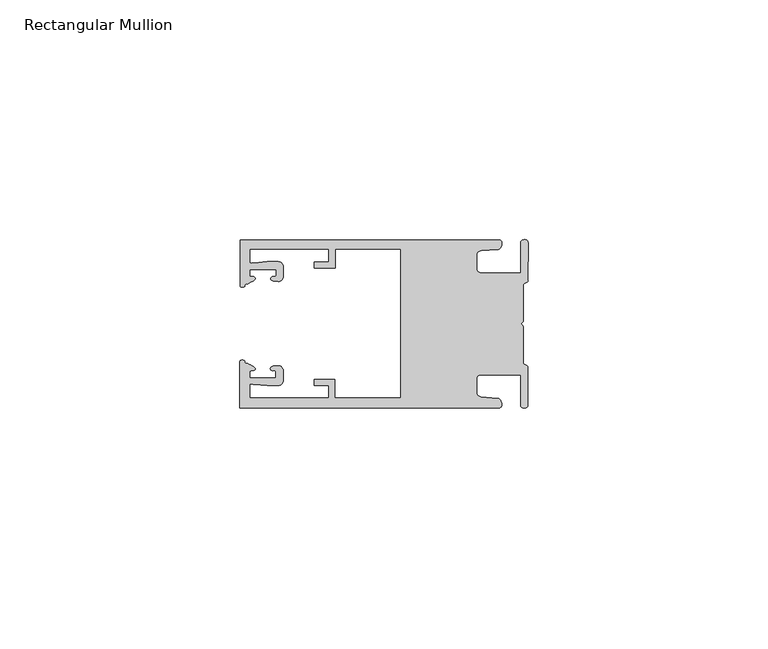
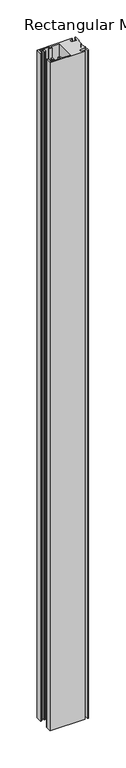
"""IFC4 building model written with IfcOpenShell, lengths in millimetres: member geometry, Rectangular Mullion."""

from ifc_helpers import new_model, si_unit, frame, origin, place, context, project, spatial, circle_curve, source, transform, mapped, element, save
from ifc_brep_helpers import plane_surface, cylinder_surface, extruded_surface, spline_curve, advanced_brep


def rectangular_mullion_8160e95d(model_context):
    return source(origin(), model_context, "Body", "AdvancedBrep", [
        advanced_brep(
        [(-60.0749377, 17.5111528, 0.0), (-60.0749377, 8.0140787, 0.0), (-59.3252567, 7.7187455, 0.0), (-58.4967974, 8.36785, 0.0), (-58.0726619, 10.1173923, 0.0), (-58.0713101, 11.3673916, 0.0), (-52.5713133, 11.3614437, 0.0), (-52.5726651, 10.1114444, 0.0), (-53.1427626, 8.8955539, 0.0), (-52.0740172, 8.8609044, 0.0), (-51.0729364, 9.8598224, 0.0), (-51.0706653, 11.9598211, 0.0), (-52.0700692, 12.9609024, 0.0), (-54.3905105, 12.9622843, 0.0), (-57.1599646, 12.7230061, 0.0), (-58.0696339, 12.9173907, 0.0), (-58.066768, 15.5673891, 0.0), (-41.5667584, 15.5673891, 0.0), (-41.5695894, 12.9495468, 0.0), (-44.5695877, 12.9527912, 0.0), (-44.5709936, 11.6527919, 0.0), (-40.2709961, 11.6481417, 0.0), (-40.2667576, 15.5673891, 0.0), (-26.6002952, 15.5673891, 0.0), (-26.6002952, -15.4518424, 0.0), (-40.3003032, -15.4518424, 0.0), (-40.2960856, -11.5518447, 0.0), (-44.5960831, -11.5471945, 0.0), (-44.597489, -12.8471938, 0.0), (-41.5974907, -12.8504381, 0.0), (-41.6003025, -15.4504366, 0.0), (-58.1002928, -15.4325927, 0.0), (-58.097427, -12.7825943, 0.0), (-57.1873395, -12.5901776, 0.0), (-54.4184094, -12.8354453, 0.0), (-52.0979705, -12.8390822, 0.0), (-51.0964037, -11.8401649, 0.0), (-51.0941327, -9.7401662, 0.0), (-52.0930507, -8.7390853, 0.0), (-53.1618685, -8.7714231, 0.0), (-52.5944022, -9.9885439, 0.0), (-52.595754, -11.2385431, 0.0), (-58.0957508, -11.2325952, 0.0), (-58.094399, -9.9825959, 0.0), (-58.5147494, -8.2321403, 0.0), (-59.3418028, -7.5812455, 0.0), (-60.0921208, -7.8749565, 0.0), (-60.0921208, -17.4888267, 0.0), (-6.1024861, -17.4888267, 0.0), (-6.5218639, -15.488372, 0.0), (-9.8784944, -15.2205466, 0.0), (-10.7989567, -14.2226333, 0.0), (-10.7961029, -11.5837474, 0.0), (-9.8734844, -10.5878272, 0.0), (-1.5950266, -10.5934991, 0.0), (-1.601948, -16.9936935, 0.0), (-0.1017194, -16.7830581, 0.0), (-0.0933208, -9.0170082, 0.0), (-1.0923837, -8.1499018, 0.0), (-1.0842165, -0.5977972, 0.0), (-1.0829111, 0.6093089, 0.0), (-1.0747439, 8.1614135, 0.0), (-0.0738079, 9.026357, 0.0), (-0.0654093, 16.7924069, 0.0), (-1.5651789, 17.0062866, 0.0), (-1.5651789, 10.6183257, 0.0), (-9.8505511, 10.6183257, 0.0), (-10.7710133, 11.6162391, 0.0), (-10.7681595, 14.255125, 0.0), (-9.845541, 15.2510452, 0.0), (-6.4883391, 15.5116099, 0.0), (-6.0646356, 17.5111528, 0.0), (-60.0749377, 17.5111528, -1095.93), (-6.0646356, 17.5111528, -1095.93), (-6.4883391, 15.5116099, -1095.93), (-9.845541, 15.2510452, -1095.93), (-10.7681595, 14.255125, -1095.93), (-10.7710133, 11.6162391, -1095.93), (-9.8505511, 10.6183257, -1095.93), (-1.5651789, 10.6183257, -1095.93), (-1.5651789, 17.0062866, -1095.93), (-0.0654093, 16.7924069, -1095.93), (-0.0738079, 9.026357, -1095.93), (-1.0747439, 8.1614135, -1095.93), (-1.0829111, 0.6093089, -1095.93), (-1.0842165, -0.5977972, -1095.93), (-1.0923837, -8.1499018, -1095.93), (-0.0933208, -9.0170082, -1095.93), (-0.1017194, -16.7830581, -1095.93), (-1.601948, -16.9936935, -1095.93), (-1.5950266, -10.5934991, -1095.93), (-9.8734844, -10.5878272, -1095.93), (-10.7961029, -11.5837474, -1095.93), (-10.7989567, -14.2226333, -1095.93), (-9.8784944, -15.2205466, -1095.93), (-6.5218639, -15.488372, -1095.93), (-6.1024861, -17.4888267, -1095.93), (-60.0921208, -17.4888267, -1095.93), (-60.0921208, -7.8749565, -1095.93), (-59.3418028, -7.5812455, -1095.93), (-58.5147494, -8.2321403, -1095.93), (-58.094399, -9.9825959, -1095.93), (-58.0957508, -11.2325952, -1095.93), (-52.595754, -11.2385431, -1095.93), (-52.5944022, -9.9885439, -1095.93), (-53.1618685, -8.7714231, -1095.93), (-52.0930507, -8.7390853, -1095.93), (-51.0941327, -9.7401662, -1095.93), (-51.0964037, -11.8401649, -1095.93), (-52.0979705, -12.8390823, -1095.93), (-54.4184094, -12.8354453, -1095.93), (-57.1873395, -12.5901776, -1095.93), (-58.097427, -12.7825943, -1095.93), (-58.1002928, -15.4325927, -1095.93), (-41.6003025, -15.4504366, -1095.93), (-41.5974907, -12.8504381, -1095.93), (-44.597489, -12.8471938, -1095.93), (-44.5960831, -11.5471945, -1095.93), (-40.2960856, -11.5518447, -1095.93), (-40.3003032, -15.4518424, -1095.93), (-26.6002952, -15.4518424, -1095.93), (-26.6002952, 15.5673891, -1095.93), (-40.2667576, 15.5673891, -1095.93), (-40.2709961, 11.6481417, -1095.93), (-44.5709936, 11.6527919, -1095.93), (-44.5695877, 12.9527912, -1095.93), (-41.5695894, 12.9495468, -1095.93), (-41.5667584, 15.5673891, -1095.93), (-58.066768, 15.5673891, -1095.93), (-58.0696339, 12.9173907, -1095.93), (-57.1599646, 12.7230061, -1095.93), (-54.3905105, 12.9622843, -1095.93), (-52.0700692, 12.9609023, -1095.93), (-51.0706653, 11.9598211, -1095.93), (-51.0729364, 9.8598224, -1095.93), (-52.0740172, 8.8609044, -1095.93), (-53.1427626, 8.8955539, -1095.93), (-52.5726651, 10.1114444, -1095.93), (-52.5713133, 11.3614437, -1095.93), (-58.0713101, 11.3673916, -1095.93), (-58.0726619, 10.1173923, -1095.93), (-58.4967974, 8.36785, -1095.93), (-59.3252567, 7.7187455, -1095.93), (-60.0749377, 8.0140787, -1095.93)],
        [
            (0, 1),
            (1, 2, spline_curve(3, [(-60.0749377, 8.0140787, 0.0), (-60.075233123, 7.740904774, 0.0), (-59.825339491, 7.642460332, 0.0), (-59.3252567, 7.7187455, 0.0)], [4, 4], [0.0, 0.0019169337574178654])),
            (2, 3, spline_curve(3, [(-59.3252567, 7.7187455, 0.0), (-59.094460914, 7.75918372, 0.0), (-59.054835463, 7.902257199, 0.0), (-59.05559987, 8.233305614, 0.0), (-59.138729113, 8.4134359, 0.0), (-58.4967974, 8.36785, 0.0)], [4, 2, 4], [0.0, 0.0010199524164107188, 0.0024874514725970356])),
            (3, 4, spline_curve(3, [(-58.4967974, 8.36785, 0.0), (-57.022393378, 9.053435667, 0.0), (-56.827266887, 9.364828726, 0.0), (-56.982213078, 9.742623404, 0.0), (-57.177375211, 9.855581791, 0.0), (-57.697928101, 9.887955071, 0.0), (-57.997449153, 9.835475348, 0.0), (-58.0726619, 10.1173923, 0.0)], [4, 2, 2, 4], [0.0, 0.003269869179570428, 0.005490050486237203, 0.0073545767114364426])),
            (4, 5),
            (5, 6),
            (6, 7),
            (7, 8, spline_curve(3, [(-52.5726651, 10.1114444, 0.0), (-52.667195519, 9.760172042, 0.0), (-52.937094388, 9.861877724, 0.0), (-53.356237032, 9.895631753, 0.0), (-53.491940439, 9.811038713, 0.0), (-53.761900775, 9.511438033, 0.0), (-53.892893546, 9.278787104, 0.0), (-53.1427626, 8.8955539, 0.0)], [4, 2, 2, 4], [0.0, 0.001593963049934732, 0.0033360256320283306, 0.005339140673503943])),
            (8, 9),
            (9, 10, circle_curve(frame((-52.0729358, 9.8609038, 0.0), z_axis=(0.0, 0.0, 1.0), x_axis=(-0.0010814451158600304, -0.9999994152380598, 0.0)), 1.0)),
            (10, 11),
            (11, 12, circle_curve(frame((-52.0706647, 11.9609026, 0.0), z_axis=(0.0, 0.0, 1.0), x_axis=(-0.0010814451158600304, -0.9999994152380598, 0.0)), 1.0)),
            (12, 13),
            (13, 14),
            (14, 15, spline_curve(3, [(-57.1599646, 12.7230061, 0.0), (-57.631533854, 12.682262968, 0.0), (-58.018602985, 12.477800124, 0.0), (-58.0696339, 12.9173907, 0.0)], [4, 4], [0.0, 0.0014803385355886016])),
            (15, 16),
            (16, 17),
            (17, 18),
            (18, 19),
            (19, 20),
            (20, 21),
            (21, 22),
            (22, 23),
            (23, 24),
            (24, 25),
            (25, 26),
            (26, 27),
            (27, 28),
            (28, 29),
            (29, 30),
            (30, 31),
            (31, 32),
            (32, 33, spline_curve(3, [(-58.097427, -12.7825943, 0.0), (-58.045445419, -12.343115126, 0.0), (-57.658819528, -12.548414611, 0.0), (-57.1873395, -12.5901776, 0.0)], [4, 4], [0.0, 0.0014803385355886016])),
            (33, 34),
            (34, 35),
            (35, 36, circle_curve(frame((-52.0964031, -11.8390835, 0.0), z_axis=(0.0, 0.0, 1.0), x_axis=(0.0010814451158600304, 0.9999994152380598, 0.0)), 1.0)),
            (36, 37),
            (37, 38, circle_curve(frame((-52.0941321, -9.7390847, 0.0), z_axis=(0.0, 0.0, 1.0), x_axis=(0.0010814451158600304, 0.9999994152380598, 0.0)), 1.0)),
            (38, 39),
            (39, 40, spline_curve(3, [(-53.1618685, -8.7714231, 0.0), (-53.912826582, -9.153032958, 0.0), (-53.782337352, -9.385966711, 0.0), (-53.51302565, -9.686150585, 0.0), (-53.377505444, -9.771037009, 0.0), (-52.958290774, -9.738189618, 0.0), (-52.688172635, -9.637067904, 0.0), (-52.5944022, -9.9885439, 0.0)], [4, 2, 2, 4], [0.0, 0.002003115041475612, 0.0037451776235692107, 0.005339140673503943])),
            (40, 41),
            (41, 42),
            (42, 43),
            (43, 44, spline_curve(3, [(-58.094399, -9.9825959, 0.0), (-58.018576674, -9.700842284, 0.0), (-57.719169706, -9.753969703, 0.0), (-57.198548014, -9.722722397, 0.0), (-57.003142178, -9.61018632, 0.0), (-56.847379222, -9.232727657, 0.0), (-57.041831673, -8.920913336, 0.0), (-58.5147494, -8.2321403, 0.0)], [4, 2, 2, 4], [0.0, 0.0018645262251992395, 0.004084707531866015, 0.0073545767114364426])),
            (44, 45, spline_curve(3, [(-58.5147494, -8.2321403, 0.0), (-59.156778208, -8.276337666, 0.0), (-59.073259494, -8.096387681, 0.0), (-59.071779067, -7.765341694, 0.0), (-59.111095017, -7.622182811, 0.0), (-59.3418028, -7.5812455, 0.0)], [4, 2, 4], [0.0, 0.0014674990561863168, 0.0024874514725970356])),
            (45, 46, spline_curve(3, [(-59.3418028, -7.5812455, 0.0), (-59.841719425, -7.503878887, 0.0), (-60.091825377, -7.601782574, 0.0), (-60.0921208, -7.8749565, 0.0)], [4, 4], [0.0, 0.0019169337574178654])),
            (46, 47),
            (47, 48),
            (48, 49, spline_curve(3, [(-6.1024861, -17.4888267, 0.0), (-5.074532184, -17.418062188, 0.0), (-5.631140689, -15.411414367, 0.0), (-6.5218639, -15.488372, 0.0)], [4, 4], [0.0, 0.0043819361547461745])),
            (49, 50),
            (50, 51, spline_curve(3, [(-9.8784944, -15.2205466, 0.0), (-10.440691543, -15.150698463, 0.0), (-10.74751234, -14.818060727, 0.0), (-10.7989567, -14.2226333, 0.0)], [4, 4], [0.0, 0.0028645797420738927])),
            (51, 52),
            (52, 53, spline_curve(3, [(-10.7961029, -11.5837474, 0.0), (-10.743370817, -10.988432634, 0.0), (-10.435831301, -10.656459204, 0.0), (-9.8734844, -10.5878272, 0.0)], [4, 4], [0.0, 0.0028645797420738927])),
            (53, 54),
            (54, 55),
            (55, 56, spline_curve(3, [(-1.601948, -16.9936935, 0.0), (-1.655676874, -17.600261454, 0.0), (-0.043737403, -17.912795581, 0.0), (-0.1017194, -16.7830581, 0.0)], [4, 4], [0.0, 0.0036987374396357936])),
            (56, 57),
            (57, 58, spline_curve(3, [(-0.0933208, -9.0170082, 0.0), (-0.018818183, -8.695886697, 0.0), (-1.193434327, -8.459763043, 0.0), (-1.0923837, -8.1499018, 0.0)], [4, 4], [0.0, 0.002027216749630121])),
            (58, 59),
            (59, 60, spline_curve(3, [(-1.0842165, -0.5977972, 0.0), (-1.013223198, -0.445980437, 0.0), (-1.487945123, -0.206736825, 0.0), (-1.487409651, 0.231097965, 0.0), (-0.999110985, 0.429090391, 0.0), (-1.0829111, 0.6093089, 0.0)], [4, 2, 4], [0.0, 0.00249866671847065, 0.005031402919736269])),
            (60, 61),
            (61, 62, spline_curve(3, [(-1.0747439, 8.1614135, 0.0), (-1.175124095, 8.47149258, 0.0), (-7e-09, 8.705075107, 0.0), (-0.0738079, 9.026357, 0.0)], [4, 4], [0.0, 0.002027216749630121])),
            (62, 63),
            (63, 64, spline_curve(3, [(-0.0654093, 16.7924069, 0.0), (-0.004983942, 17.92201633, 0.0), (-1.617595709, 17.612969344, 0.0), (-1.5651789, 17.0062866, 0.0)], [4, 4], [0.0, 0.0036987374396357936])),
            (64, 65),
            (65, 66),
            (66, 67, spline_curve(3, [(-9.8505511, 10.6183257, 0.0), (-10.412748243, 10.688173837, 0.0), (-10.71956894, 11.020811673, 0.0), (-10.7710133, 11.6162391, 0.0)], [4, 4], [0.0, 0.0028645797420738927])),
            (67, 68),
            (68, 69, spline_curve(3, [(-10.7681595, 14.255125, 0.0), (-10.715427417, 14.850439766, 0.0), (-10.407887901, 15.182413196, 0.0), (-9.845541, 15.2510452, 0.0)], [4, 4], [0.0, 0.0028645797420738927])),
            (69, 70),
            (70, 71, spline_curve(3, [(-6.4883391, 15.5116099, 0.0), (-5.597784423, 15.432725911, 0.0), (-5.036837144, 17.438165103, 0.0), (-6.0646356, 17.5111528, 0.0)], [4, 4], [0.0, 0.0043819361547461745])),
            (71, 0),
            (72, 73),
            (73, 74, spline_curve(3, [(-6.0646356, 17.5111528, -1095.93), (-5.036837144, 17.438165103, -1095.93), (-5.597784423, 15.432725911, -1095.93), (-6.4883391, 15.5116099, -1095.93)], [4, 4], [0.0, 0.0043819361547461745])),
            (74, 75),
            (75, 76, spline_curve(3, [(-9.845541, 15.2510452, -1095.93), (-10.407887901, 15.182413196, -1095.93), (-10.715427417, 14.850439766, -1095.93), (-10.7681595, 14.255125, -1095.93)], [4, 4], [0.0, 0.0028645797420738927])),
            (76, 77),
            (77, 78, spline_curve(3, [(-10.7710133, 11.6162391, -1095.93), (-10.71956894, 11.020811673, -1095.93), (-10.412748243, 10.688173837, -1095.93), (-9.8505511, 10.6183257, -1095.93)], [4, 4], [0.0, 0.0028645797420738927])),
            (78, 79),
            (79, 80),
            (80, 81, spline_curve(3, [(-1.5651789, 17.0062866, -1095.93), (-1.617595709, 17.612969344, -1095.93), (-0.004983942, 17.92201633, -1095.93), (-0.0654093, 16.7924069, -1095.93)], [4, 4], [0.0, 0.0036987374396357936])),
            (81, 82),
            (82, 83, spline_curve(3, [(-0.0738079, 9.026357, -1095.93), (-7e-09, 8.705075107, -1095.93), (-1.175124095, 8.47149258, -1095.93), (-1.0747439, 8.1614135, -1095.93)], [4, 4], [0.0, 0.002027216749630121])),
            (83, 84),
            (84, 85, spline_curve(3, [(-1.0829111, 0.6093089, -1095.93), (-0.999110985, 0.429090391, -1095.93), (-1.487409651, 0.231097965, -1095.93), (-1.487945123, -0.206736825, -1095.93), (-1.013223198, -0.445980437, -1095.93), (-1.0842165, -0.5977972, -1095.93)], [4, 2, 4], [0.0, 0.002532736201265619, 0.005031402919736269])),
            (85, 86),
            (86, 87, spline_curve(3, [(-1.0923837, -8.1499018, -1095.93), (-1.193434327, -8.459763043, -1095.93), (-0.018818183, -8.695886697, -1095.93), (-0.0933208, -9.0170082, -1095.93)], [4, 4], [0.0, 0.002027216749630121])),
            (87, 88),
            (88, 89, spline_curve(3, [(-0.1017194, -16.7830581, -1095.93), (-0.043737403, -17.912795581, -1095.93), (-1.655676874, -17.600261454, -1095.93), (-1.601948, -16.9936935, -1095.93)], [4, 4], [0.0, 0.0036987374396357936])),
            (89, 90),
            (90, 91),
            (91, 92, spline_curve(3, [(-9.8734844, -10.5878272, -1095.93), (-10.435831301, -10.656459204, -1095.93), (-10.743370817, -10.988432634, -1095.93), (-10.7961029, -11.5837474, -1095.93)], [4, 4], [0.0, 0.0028645797420738927])),
            (92, 93),
            (93, 94, spline_curve(3, [(-10.7989567, -14.2226333, -1095.93), (-10.74751234, -14.818060727, -1095.93), (-10.440691543, -15.150698463, -1095.93), (-9.8784944, -15.2205466, -1095.93)], [4, 4], [0.0, 0.0028645797420738927])),
            (94, 95),
            (95, 96, spline_curve(3, [(-6.5218639, -15.488372, -1095.93), (-5.631140689, -15.411414367, -1095.93), (-5.074532184, -17.418062188, -1095.93), (-6.1024861, -17.4888267, -1095.93)], [4, 4], [0.0, 0.0043819361547461745])),
            (96, 97),
            (97, 98),
            (98, 99, spline_curve(3, [(-60.0921208, -7.8749565, -1095.93), (-60.091825377, -7.601782574, -1095.93), (-59.841719425, -7.503878887, -1095.93), (-59.3418028, -7.5812455, -1095.93)], [4, 4], [0.0, 0.0019169337574178654])),
            (99, 100, spline_curve(3, [(-59.3418028, -7.5812455, -1095.93), (-59.111095017, -7.622182811, -1095.93), (-59.071779067, -7.765341694, -1095.93), (-59.073259494, -8.096387681, -1095.93), (-59.156778208, -8.276337666, -1095.93), (-58.5147494, -8.2321403, -1095.93)], [4, 2, 4], [0.0, 0.0010199524164107188, 0.0024874514725970356])),
            (100, 101, spline_curve(3, [(-58.5147494, -8.2321403, -1095.93), (-57.041831673, -8.920913336, -1095.93), (-56.847379222, -9.232727657, -1095.93), (-57.003142178, -9.61018632, -1095.93), (-57.198548014, -9.722722397, -1095.93), (-57.719169706, -9.753969703, -1095.93), (-58.018576674, -9.700842284, -1095.93), (-58.094399, -9.9825959, -1095.93)], [4, 2, 2, 4], [0.0, 0.003269869179570428, 0.005490050486237203, 0.0073545767114364426])),
            (101, 102),
            (102, 103),
            (103, 104),
            (104, 105, spline_curve(3, [(-52.5944022, -9.9885439, -1095.93), (-52.688172635, -9.637067904, -1095.93), (-52.958290774, -9.738189618, -1095.93), (-53.377505444, -9.771037009, -1095.93), (-53.51302565, -9.686150585, -1095.93), (-53.782337352, -9.385966711, -1095.93), (-53.912826582, -9.153032958, -1095.93), (-53.1618685, -8.7714231, -1095.93)], [4, 2, 2, 4], [0.0, 0.001593963049934732, 0.0033360256320283306, 0.005339140673503943])),
            (105, 106),
            (106, 107, circle_curve(frame((-52.0941321, -9.7390847, -1095.93), z_axis=(0.0, 0.0, -1.0), x_axis=(0.0010814451158600304, 0.9999994152380598, 0.0)), 1.0)),
            (107, 108),
            (108, 109, circle_curve(frame((-52.0964031, -11.8390835, -1095.93), z_axis=(0.0, 0.0, -1.0), x_axis=(0.0010814451158600304, 0.9999994152380598, 0.0)), 1.0)),
            (109, 110),
            (110, 111),
            (111, 112, spline_curve(3, [(-57.1873395, -12.5901776, -1095.93), (-57.658819528, -12.548414611, -1095.93), (-58.045445419, -12.343115126, -1095.93), (-58.097427, -12.7825943, -1095.93)], [4, 4], [0.0, 0.0014803385355886016])),
            (112, 113),
            (113, 114),
            (114, 115),
            (115, 116),
            (116, 117),
            (117, 118),
            (118, 119),
            (119, 120),
            (120, 121),
            (121, 122),
            (122, 123),
            (123, 124),
            (124, 125),
            (125, 126),
            (126, 127),
            (127, 128),
            (128, 129),
            (129, 130, spline_curve(3, [(-58.0696339, 12.9173907, -1095.93), (-58.018602985, 12.477800124, -1095.93), (-57.631533854, 12.682262968, -1095.93), (-57.1599646, 12.7230061, -1095.93)], [4, 4], [0.0, 0.0014803385355886016])),
            (130, 131),
            (131, 132),
            (132, 133, circle_curve(frame((-52.0706647, 11.9609026, -1095.93), z_axis=(0.0, 0.0, -1.0), x_axis=(-0.0010814451158600304, -0.9999994152380598, 0.0)), 1.0)),
            (133, 134),
            (134, 135, circle_curve(frame((-52.0729358, 9.8609038, -1095.93), z_axis=(0.0, 0.0, -1.0), x_axis=(-0.0010814451158600304, -0.9999994152380598, 0.0)), 1.0)),
            (135, 136),
            (136, 137, spline_curve(3, [(-53.1427626, 8.8955539, -1095.93), (-53.892893546, 9.278787104, -1095.93), (-53.761900775, 9.511438033, -1095.93), (-53.491940439, 9.811038713, -1095.93), (-53.356237032, 9.895631753, -1095.93), (-52.937094388, 9.861877724, -1095.93), (-52.667195519, 9.760172042, -1095.93), (-52.5726651, 10.1114444, -1095.93)], [4, 2, 2, 4], [0.0, 0.002003115041475612, 0.0037451776235692107, 0.005339140673503943])),
            (137, 138),
            (138, 139),
            (139, 140),
            (140, 141, spline_curve(3, [(-58.0726619, 10.1173923, -1095.93), (-57.997449153, 9.835475348, -1095.93), (-57.697928101, 9.887955071, -1095.93), (-57.177375211, 9.855581791, -1095.93), (-56.982213078, 9.742623404, -1095.93), (-56.827266887, 9.364828726, -1095.93), (-57.022393378, 9.053435667, -1095.93), (-58.4967974, 8.36785, -1095.93)], [4, 2, 2, 4], [0.0, 0.0018645262251992395, 0.004084707531866015, 0.0073545767114364426])),
            (141, 142, spline_curve(3, [(-58.4967974, 8.36785, -1095.93), (-59.138729113, 8.4134359, -1095.93), (-59.05559987, 8.233305614, -1095.93), (-59.054835463, 7.902257199, -1095.93), (-59.094460914, 7.75918372, -1095.93), (-59.3252567, 7.7187455, -1095.93)], [4, 2, 4], [0.0, 0.0014674990561863168, 0.0024874514725970356])),
            (142, 143, spline_curve(3, [(-59.3252567, 7.7187455, -1095.93), (-59.825339491, 7.642460332, -1095.93), (-60.075233123, 7.740904774, -1095.93), (-60.0749377, 8.0140787, -1095.93)], [4, 4], [0.0, 0.0019169337574178654])),
            (143, 72),
            (0, 72),
            (143, 1),
            (142, 2),
            (141, 3),
            (140, 4),
            (139, 5),
            (138, 6),
            (137, 7),
            (136, 8),
            (135, 9),
            (134, 10),
            (133, 11),
            (132, 12),
            (131, 13),
            (130, 14),
            (129, 15),
            (128, 16),
            (127, 17),
            (126, 18),
            (125, 19),
            (124, 20),
            (123, 21),
            (122, 22),
            (121, 23),
            (120, 24),
            (119, 25),
            (118, 26),
            (117, 27),
            (116, 28),
            (115, 29),
            (114, 30),
            (113, 31),
            (112, 32),
            (111, 33),
            (110, 34),
            (109, 35),
            (108, 36),
            (107, 37),
            (106, 38),
            (105, 39),
            (104, 40),
            (103, 41),
            (102, 42),
            (101, 43),
            (100, 44),
            (99, 45),
            (98, 46),
            (97, 47),
            (96, 48),
            (95, 49),
            (94, 50),
            (93, 51),
            (92, 52),
            (91, 53),
            (90, 54),
            (89, 55),
            (88, 56),
            (87, 57),
            (86, 58),
            (85, 59),
            (84, 60),
            (83, 61),
            (82, 62),
            (81, 63),
            (80, 64),
            (79, 65),
            (78, 66),
            (77, 67),
            (76, 68),
            (75, 69),
            (74, 70),
            (73, 71),
        ],
        [
            plane_surface(frame((0.0, -62.5853181, 0.0), z_axis=(0.0, 0.0, 1.0), x_axis=(-1.0, 0.0, 0.0))),
            plane_surface(frame((0.0, -62.5853181, -1095.93), z_axis=(0.0, 0.0, -1.0), x_axis=(-1.0, 0.0, 0.0))),
            plane_surface(frame((-60.0749377, 17.5111528, 0.0), z_axis=(-1.0, 0.0, 0.0), x_axis=(0.0, 0.0, -1.0))),
            extruded_surface(spline_curve(3, [(-60.0749377, 8.0140787, -1095.93), (-60.075233123, 7.740904774, -1095.93), (-59.825339491, 7.642460332, -1095.93), (-59.3252567, 7.7187455, -1095.93)], [4, 4], [0.0, 0.0019169337574178654]), (0.0, 0.0, 1095.93), 1095.93),
            extruded_surface(spline_curve(3, [(-59.3252567, 7.7187455, -1095.93), (-59.094460914, 7.75918372, -1095.93), (-59.054835463, 7.902257199, -1095.93), (-59.05559987, 8.233305614, -1095.93), (-59.138729113, 8.4134359, -1095.93), (-58.4967974, 8.36785, -1095.93)], [4, 2, 4], [0.0, 0.0010199524164107188, 0.0024874514725970356]), (0.0, 0.0, 1095.93), 1095.93),
            extruded_surface(spline_curve(3, [(-58.4967974, 8.36785, -1095.93), (-57.022393378, 9.053435667, -1095.93), (-56.827266887, 9.364828726, -1095.93), (-56.982213078, 9.742623404, -1095.93), (-57.177375211, 9.855581791, -1095.93), (-57.697928101, 9.887955071, -1095.93), (-57.997449153, 9.835475348, -1095.93), (-58.0726619, 10.1173923, -1095.93)], [4, 2, 2, 4], [0.0, 0.003269869179570428, 0.005490050486237203, 0.0073545767114364426]), (0.0, 0.0, 1095.93), 1095.93),
            plane_surface(frame((-58.0726619, 10.1173923, 0.0), z_axis=(0.9999994152380598, -0.0010814451158634145, 0.0), x_axis=(0.0, 0.0, -1.0))),
            plane_surface(frame((-58.0713101, 11.3673916, 0.0), z_axis=(-0.0010814451158616418, -0.9999994152380598, 0.0), x_axis=(0.0, 0.0, -1.0))),
            plane_surface(frame((-52.5713133, 11.3614437, 0.0), z_axis=(-0.9999994152380598, 0.0010814451158643293, 0.0), x_axis=(0.0, 0.0, -1.0))),
            extruded_surface(spline_curve(3, [(-52.5726651, 10.1114444, -1095.93), (-52.667195519, 9.760172042, -1095.93), (-52.937094388, 9.861877724, -1095.93), (-53.356237032, 9.895631753, -1095.93), (-53.491940439, 9.811038713, -1095.93), (-53.761900775, 9.511438033, -1095.93), (-53.892893546, 9.278787104, -1095.93), (-53.1427626, 8.8955539, -1095.93)], [4, 2, 2, 4], [0.0, 0.001593963049934732, 0.0033360256320283306, 0.005339140673503943]), (0.0, 0.0, 1095.93), 1095.93),
            plane_surface(frame((-53.1427626, 8.8955539, 0.0), z_axis=(-0.032403661401520414, -0.9994748634797054, 0.0), x_axis=(0.0, 0.0, -1.0))),
            cylinder_surface(frame((-52.0729358, 9.8609038, 0.0), z_axis=(0.0, 0.0, 1.0000000000000002), x_axis=(-0.0010814451158600304, -0.9999994152380598, 0.0)), 1.0),
            plane_surface(frame((-51.0729364, 9.8598224, 0.0), z_axis=(0.9999994152380598, -0.001081445115864059, 0.0), x_axis=(0.0, 0.0, -1.0))),
            cylinder_surface(frame((-52.0706647, 11.9609026, 0.0), z_axis=(0.0, 0.0, 1.0000000000000002), x_axis=(-0.0010814451158600304, -0.9999994152380598, 0.0)), 1.0),
            plane_surface(frame((-52.0700692, 12.9609023, 0.0), z_axis=(0.0005955716436318007, 0.999999822647193, 0.0), x_axis=(0.0, 0.0, -1.0))),
            plane_surface(frame((-54.3905105, 12.9622843, 0.0), z_axis=(-0.08607836189159865, 0.9962883697073147, 0.0), x_axis=(0.0, 0.0, -1.0))),
            extruded_surface(spline_curve(3, [(-57.1599646, 12.7230061, -1095.93), (-57.631533854, 12.682262968, -1095.93), (-58.018602985, 12.477800124, -1095.93), (-58.0696339, 12.9173907, -1095.93)], [4, 4], [0.0, 0.0014803385355886016]), (0.0, 0.0, 1095.93), 1095.93),
            plane_surface(frame((-58.0696339, 12.9173907, 0.0), z_axis=(0.9999994152380598, -0.0010814451158629996, 0.0), x_axis=(0.0, 0.0, -1.0))),
            plane_surface(frame((-58.066768, 15.5673891, 0.0), z_axis=(0.0, -1.0, 0.0), x_axis=(0.0, 0.0, -1.0))),
            plane_surface(frame((-41.5667584, 15.5673891, 0.0), z_axis=(-0.9999994152380598, 0.0010814451158636304, 0.0), x_axis=(0.0, 0.0, -1.0))),
            plane_surface(frame((-41.5695894, 12.9495468, 0.0), z_axis=(0.0010814451158615687, 0.9999994152380598, 0.0), x_axis=(0.0, 0.0, -1.0))),
            plane_surface(frame((-44.5695877, 12.9527912, 0.0), z_axis=(-0.9999994152380598, 0.0010814451158626742, 0.0), x_axis=(0.0, 0.0, -1.0))),
            plane_surface(frame((-44.5709936, 11.6527919, 0.0), z_axis=(-0.001081445115861604, -0.9999994152380598, 0.0), x_axis=(0.0, 0.0, -1.0))),
            plane_surface(frame((-40.2709961, 11.6481417, 0.0), z_axis=(0.9999994152380598, -0.001081445115863507, 0.0), x_axis=(0.0, 0.0, -1.0))),
            plane_surface(frame((-40.2667576, 15.5673891, 0.0), z_axis=(0.0, -1.0, 0.0), x_axis=(0.0, 0.0, -1.0))),
            plane_surface(frame((-26.6002952, 15.5673891, 0.0), z_axis=(-1.0, 0.0, 0.0), x_axis=(0.0, 0.0, -1.0))),
            plane_surface(frame((-26.6002952, -15.4518424, 0.0), z_axis=(0.0, 1.0, 0.0), x_axis=(0.0, 0.0, -1.0))),
            plane_surface(frame((-40.3003032, -15.4518424, 0.0), z_axis=(0.9999994152380598, -0.0010814451158565538, 0.0), x_axis=(0.0, 0.0, -1.0))),
            plane_surface(frame((-40.2960856, -11.5518447, 0.0), z_axis=(0.0010814451158584568, 0.9999994152380598, 0.0), x_axis=(0.0, 0.0, -1.0))),
            plane_surface(frame((-44.5960831, -11.5471945, 0.0), z_axis=(-0.9999994152380598, 0.0010814451158573867, 0.0), x_axis=(0.0, 0.0, -1.0))),
            plane_surface(frame((-44.597489, -12.8471938, 0.0), z_axis=(-0.0010814451158584922, -0.9999994152380598, 0.0), x_axis=(0.0, 0.0, -1.0))),
            plane_surface(frame((-41.5974907, -12.8504381, 0.0), z_axis=(-0.9999994152380598, 0.0010814451158564305, 0.0), x_axis=(0.0, 0.0, -1.0))),
            plane_surface(frame((-41.6003025, -15.4504366, 0.0), z_axis=(0.0010814451158583872, 0.9999994152380598, 0.0), x_axis=(0.0, 0.0, -1.0))),
            plane_surface(frame((-58.1002928, -15.4325927, 0.0), z_axis=(0.9999994152380598, -0.0010814451158570612, 0.0), x_axis=(0.0, 0.0, -1.0))),
            extruded_surface(spline_curve(3, [(-58.097427, -12.7825943, -1095.93), (-58.045445419, -12.343115126, -1095.93), (-57.658819528, -12.548414611, -1095.93), (-57.1873395, -12.5901776, -1095.93)], [4, 4], [0.0, 0.0014803385355886016]), (0.0, 0.0, 1095.93), 1095.93),
            plane_surface(frame((-57.1873395, -12.5901776, 0.0), z_axis=(-0.0882330216729926, -0.9960998614026876, 0.0), x_axis=(0.0, 0.0, -1.0))),
            plane_surface(frame((-54.4184094, -12.8354453, 0.0), z_axis=(-0.0015673183327880543, -0.9999987717558677, 0.0), x_axis=(0.0, 0.0, -1.0))),
            cylinder_surface(frame((-52.0964031, -11.8390835, 0.0), z_axis=(0.0, 0.0, 1.0000000000000002), x_axis=(0.0010814451158600304, 0.9999994152380598, 0.0)), 1.0),
            plane_surface(frame((-51.0964037, -11.8401649, 0.0), z_axis=(0.9999994152380598, -0.001081445115856002, 0.0), x_axis=(0.0, 0.0, -1.0))),
            cylinder_surface(frame((-52.0941321, -9.7390847, 0.0), z_axis=(0.0, 0.0, 1.0000000000000002), x_axis=(0.0010814451158600304, 0.9999994152380598, 0.0)), 1.0),
            plane_surface(frame((-52.0930507, -8.7390853, 0.0), z_axis=(-0.030241832452872642, 0.9995426111826812, 0.0), x_axis=(0.0, 0.0, -1.0))),
            extruded_surface(spline_curve(3, [(-53.1618685, -8.7714231, -1095.93), (-53.912826582, -9.153032958, -1095.93), (-53.782337352, -9.385966711, -1095.93), (-53.51302565, -9.686150585, -1095.93), (-53.377505444, -9.771037009, -1095.93), (-52.958290774, -9.738189618, -1095.93), (-52.688172635, -9.637067904, -1095.93), (-52.5944022, -9.9885439, -1095.93)], [4, 2, 2, 4], [0.0, 0.002003115041475612, 0.0037451776235692107, 0.005339140673503943]), (0.0, 0.0, 1095.93), 1095.93),
            plane_surface(frame((-52.5944022, -9.9885439, 0.0), z_axis=(-0.9999994152380598, 0.0010814451158557316, 0.0), x_axis=(0.0, 0.0, -1.0))),
            plane_surface(frame((-52.595754, -11.2385431, 0.0), z_axis=(0.001081445115858419, 0.9999994152380598, 0.0), x_axis=(0.0, 0.0, -1.0))),
            plane_surface(frame((-58.0957508, -11.2325952, 0.0), z_axis=(0.9999994152380598, -0.0010814451158566464, 0.0), x_axis=(0.0, 0.0, -1.0))),
            extruded_surface(spline_curve(3, [(-58.094399, -9.9825959, -1095.93), (-58.018576674, -9.700842284, -1095.93), (-57.719169706, -9.753969703, -1095.93), (-57.198548014, -9.722722397, -1095.93), (-57.003142178, -9.61018632, -1095.93), (-56.847379222, -9.232727657, -1095.93), (-57.041831673, -8.920913336, -1095.93), (-58.5147494, -8.2321403, -1095.93)], [4, 2, 2, 4], [0.0, 0.0018645262251992395, 0.004084707531866015, 0.0073545767114364426]), (0.0, 0.0, 1095.93), 1095.93),
            extruded_surface(spline_curve(3, [(-58.5147494, -8.2321403, -1095.93), (-59.156778208, -8.276337666, -1095.93), (-59.073259494, -8.096387681, -1095.93), (-59.071779067, -7.765341694, -1095.93), (-59.111095017, -7.622182811, -1095.93), (-59.3418028, -7.5812455, -1095.93)], [4, 2, 4], [0.0, 0.0014674990561863168, 0.0024874514725970356]), (0.0, 0.0, 1095.93), 1095.93),
            extruded_surface(spline_curve(3, [(-59.3418028, -7.5812455, -1095.93), (-59.841719425, -7.503878887, -1095.93), (-60.091825377, -7.601782574, -1095.93), (-60.0921208, -7.8749565, -1095.93)], [4, 4], [0.0, 0.0019169337574178654]), (0.0, 0.0, 1095.93), 1095.93),
            plane_surface(frame((-60.0921208, -7.8749565, 0.0), z_axis=(-1.0, 0.0, 0.0), x_axis=(0.0, 0.0, -1.0))),
            plane_surface(frame((-60.0921208, -17.4888267, 0.0), z_axis=(0.0, -1.0, 0.0), x_axis=(0.0, 0.0, -1.0))),
            extruded_surface(spline_curve(3, [(-6.1024861, -17.4888267, -1095.93), (-5.074532184, -17.418062188, -1095.93), (-5.631140689, -15.411414367, -1095.93), (-6.5218639, -15.488372, -1095.93)], [4, 4], [0.0, 0.0043819361547461745]), (0.0, 0.0, 1095.93), 1095.93),
            plane_surface(frame((-6.5218639, -15.488372, 0.0), z_axis=(0.07953716124904908, 0.9968319015663789, 0.0), x_axis=(0.0, 0.0, -1.0))),
            extruded_surface(spline_curve(3, [(-9.8784944, -15.2205466, -1095.93), (-10.440691543, -15.150698463, -1095.93), (-10.74751234, -14.818060727, -1095.93), (-10.7989567, -14.2226333, -1095.93)], [4, 4], [0.0, 0.0028645797420738927]), (0.0, 0.0, 1095.93), 1095.93),
            plane_surface(frame((-10.7989567, -14.2226333, 0.0), z_axis=(0.9999994152380598, -0.0010814451158568247, 0.0), x_axis=(0.0, 0.0, -1.0))),
            extruded_surface(spline_curve(3, [(-10.7961029, -11.5837474, -1095.93), (-10.743370817, -10.988432634, -1095.93), (-10.435831301, -10.656459204, -1095.93), (-9.8734844, -10.5878272, -1095.93)], [4, 4], [0.0, 0.0028645797420738927]), (0.0, 0.0, 1095.93), 1095.93),
            plane_surface(frame((-9.8734844, -10.5878272, 0.0), z_axis=(-0.0006851371995361226, -0.9999997652934814, 0.0), x_axis=(0.0, 0.0, -1.0))),
            plane_surface(frame((-1.5950266, -10.5934991, 0.0), z_axis=(-0.9999994152380598, 0.0010814451158568644, 0.0), x_axis=(0.0, 0.0, -1.0))),
            extruded_surface(spline_curve(3, [(-1.601948, -16.9936935, -1095.93), (-1.655676874, -17.600261454, -1095.93), (-0.043737403, -17.912795581, -1095.93), (-0.1017194, -16.7830581, -1095.93)], [4, 4], [0.0, 0.0036987374396357936]), (0.0, 0.0, 1095.93), 1095.93),
            plane_surface(frame((-0.1017194, -16.7830581, 0.0), z_axis=(0.9999994152380598, -0.001081445115856699, 0.0), x_axis=(0.0, 0.0, -1.0))),
            extruded_surface(spline_curve(3, [(-0.0933208, -9.0170082, -1095.93), (-0.018818183, -8.695886697, -1095.93), (-1.193434327, -8.459763043, -1095.93), (-1.0923837, -8.1499018, -1095.93)], [4, 4], [0.0, 0.002027216749630121]), (0.0, 0.0, 1095.93), 1095.93),
            plane_surface(frame((-1.0923837, -8.1499018, 0.0), z_axis=(0.9999994152380598, -0.0010814451158566698, 0.0), x_axis=(0.0, 0.0, -1.0))),
            extruded_surface(spline_curve(3, [(-1.0842165, -0.5977972, -1095.93), (-1.013223198, -0.445980437, -1095.93), (-1.487945123, -0.206736825, -1095.93), (-1.487409651, 0.231097965, -1095.93), (-0.999110985, 0.429090391, -1095.93), (-1.0829111, 0.6093089, -1095.93)], [4, 2, 4], [0.0, 0.00249866671847065, 0.005031402919736269]), (0.0, 0.0, 1095.93), 1095.93),
            plane_surface(frame((-1.0829111, 0.6093089, 0.0), z_axis=(0.9999994152380598, -0.001081445115863391, 0.0), x_axis=(0.0, 0.0, -1.0))),
            extruded_surface(spline_curve(3, [(-1.0747439, 8.1614135, -1095.93), (-1.175124095, 8.47149258, -1095.93), (-7e-09, 8.705075107, -1095.93), (-0.0738079, 9.026357, -1095.93)], [4, 4], [0.0, 0.002027216749630121]), (0.0, 0.0, 1095.93), 1095.93),
            plane_surface(frame((-0.0738079, 9.026357, 0.0), z_axis=(0.9999994152380598, -0.001081445115863362, 0.0), x_axis=(0.0, 0.0, -1.0))),
            extruded_surface(spline_curve(3, [(-0.0654093, 16.7924069, -1095.93), (-0.004983942, 17.92201633, -1095.93), (-1.617595709, 17.612969344, -1095.93), (-1.5651789, 17.0062866, -1095.93)], [4, 4], [0.0, 0.0036987374396357936]), (0.0, 0.0, 1095.93), 1095.93),
            plane_surface(frame((-1.5651789, 17.0062866, 0.0), z_axis=(-1.0, 0.0, 0.0), x_axis=(0.0, 0.0, -1.0))),
            plane_surface(frame((-1.5651789, 10.6183257, 0.0), z_axis=(0.0, 1.0, 0.0), x_axis=(0.0, 0.0, -1.0))),
            extruded_surface(spline_curve(3, [(-9.8505511, 10.6183257, -1095.93), (-10.412748243, 10.688173837, -1095.93), (-10.71956894, 11.020811673, -1095.93), (-10.7710133, 11.6162391, -1095.93)], [4, 4], [0.0, 0.0028645797420738927]), (0.0, 0.0, 1095.93), 1095.93),
            plane_surface(frame((-10.7710133, 11.6162391, 0.0), z_axis=(0.9999994152380598, -0.0010814451158632362, 0.0), x_axis=(0.0, 0.0, -1.0))),
            extruded_surface(spline_curve(3, [(-10.7681595, 14.255125, -1095.93), (-10.715427417, 14.850439766, -1095.93), (-10.407887901, 15.182413196, -1095.93), (-9.845541, 15.2510452, -1095.93)], [4, 4], [0.0, 0.0028645797420738927]), (0.0, 0.0, 1095.93), 1095.93),
            plane_surface(frame((-9.845541, 15.2510452, 0.0), z_axis=(0.07738093848608862, -0.9970015999781607, 0.0), x_axis=(0.0, 0.0, -1.0))),
            extruded_surface(spline_curve(3, [(-6.4883391, 15.5116099, -1095.93), (-5.597784423, 15.432725911, -1095.93), (-5.036837144, 17.438165103, -1095.93), (-6.0646356, 17.5111528, -1095.93)], [4, 4], [0.0, 0.0043819361547461745]), (0.0, 0.0, 1095.93), 1095.93),
            plane_surface(frame((-6.0646356, 17.5111528, 0.0), z_axis=(0.0, 1.0, 0.0), x_axis=(0.0, 0.0, -1.0))),
        ],
        [
            (0, [[1, 2, 3, 4, 5, 6, 7, 8, 9, 10, 11, 12, 13, 14, 15, 16, 17, 18, 19, 20, 21, 22, 23, 24, 25, 26, 27, 28, 29, 30, 31, 32, 33, 34, 35, 36, 37, 38, 39, 40, 41, 42, 43, 44, 45, 46, 47, 48, 49, 50, 51, 52, 53, 54, 55, 56, 57, 58, 59, 60, 61, 62, 63, 64, 65, 66, 67, 68, 69, 70, 71, 72]]),
            (1, [[73, 74, 75, 76, 77, 78, 79, 80, 81, 82, 83, 84, 85, 86, 87, 88, 89, 90, 91, 92, 93, 94, 95, 96, 97, 98, 99, 100, 101, 102, 103, 104, 105, 106, 107, 108, 109, 110, 111, 112, 113, 114, 115, 116, 117, 118, 119, 120, 121, 122, 123, 124, 125, 126, 127, 128, 129, 130, 131, 132, 133, 134, 135, 136, 137, 138, 139, 140, 141, 142, 143, 144]]),
            (2, [[-1, 145, -144, 146]]),
            (3, [[-2, -146, -143, 147]]),
            (4, [[-3, -147, -142, 148]]),
            (5, [[-4, -148, -141, 149]]),
            (6, [[-5, -149, -140, 150]]),
            (7, [[-6, -150, -139, 151]]),
            (8, [[-7, -151, -138, 152]]),
            (9, [[-8, -152, -137, 153]]),
            (10, [[-9, -153, -136, 154]]),
            (11, [[-10, -154, -135, 155]]),
            (12, [[-11, -155, -134, 156]]),
            (13, [[-12, -156, -133, 157]]),
            (14, [[-13, -157, -132, 158]]),
            (15, [[-14, -158, -131, 159]]),
            (16, [[-15, -159, -130, 160]]),
            (17, [[-16, -160, -129, 161]]),
            (18, [[-17, -161, -128, 162]]),
            (19, [[-18, -162, -127, 163]]),
            (20, [[-19, -163, -126, 164]]),
            (21, [[-20, -164, -125, 165]]),
            (22, [[-21, -165, -124, 166]]),
            (23, [[-22, -166, -123, 167]]),
            (24, [[-23, -167, -122, 168]]),
            (25, [[-24, -168, -121, 169]]),
            (26, [[-25, -169, -120, 170]]),
            (27, [[-26, -170, -119, 171]]),
            (28, [[-27, -171, -118, 172]]),
            (29, [[-28, -172, -117, 173]]),
            (30, [[-29, -173, -116, 174]]),
            (31, [[-30, -174, -115, 175]]),
            (32, [[-31, -175, -114, 176]]),
            (33, [[-32, -176, -113, 177]]),
            (34, [[-33, -177, -112, 178]]),
            (35, [[-34, -178, -111, 179]]),
            (36, [[-35, -179, -110, 180]]),
            (37, [[-36, -180, -109, 181]]),
            (38, [[-37, -181, -108, 182]]),
            (39, [[-38, -182, -107, 183]]),
            (40, [[-39, -183, -106, 184]]),
            (41, [[-40, -184, -105, 185]]),
            (42, [[-41, -185, -104, 186]]),
            (43, [[-42, -186, -103, 187]]),
            (44, [[-43, -187, -102, 188]]),
            (45, [[-44, -188, -101, 189]]),
            (46, [[-45, -189, -100, 190]]),
            (47, [[-46, -190, -99, 191]]),
            (48, [[-47, -191, -98, 192]]),
            (49, [[-48, -192, -97, 193]]),
            (50, [[-49, -193, -96, 194]]),
            (51, [[-50, -194, -95, 195]]),
            (52, [[-51, -195, -94, 196]]),
            (53, [[-52, -196, -93, 197]]),
            (54, [[-53, -197, -92, 198]]),
            (55, [[-54, -198, -91, 199]]),
            (56, [[-55, -199, -90, 200]]),
            (57, [[-56, -200, -89, 201]]),
            (58, [[-57, -201, -88, 202]]),
            (59, [[-58, -202, -87, 203]]),
            (60, [[-59, -203, -86, 204]]),
            (61, [[-60, -204, -85, 205]]),
            (62, [[-61, -205, -84, 206]]),
            (63, [[-62, -206, -83, 207]]),
            (64, [[-63, -207, -82, 208]]),
            (65, [[-64, -208, -81, 209]]),
            (66, [[-65, -209, -80, 210]]),
            (67, [[-66, -210, -79, 211]]),
            (68, [[-67, -211, -78, 212]]),
            (69, [[-68, -212, -77, 213]]),
            (70, [[-69, -213, -76, 214]]),
            (71, [[-70, -214, -75, 215]]),
            (72, [[-71, -215, -74, 216]]),
            (73, [[-72, -216, -73, -145]]),
        ],
    ),
    ])


if __name__ == "__main__":
    model = new_model("IFC4")
    model_context = context("Model", 3, world=origin())
    ifc_project = project(units=[si_unit("LENGTHUNIT", "METRE", prefix="MILLI")], contexts=[model_context])
    site = spatial("IfcSite", under=ifc_project)
    building = spatial("IfcBuilding", under=site)
    placement = place(None, origin())
    rectangular_mullion_shape = rectangular_mullion_8160e95d(model_context)
    element("IfcMember", 1, ObjectType="Rectangular Mullion", at=placement, inside=building, context=model_context, shape_type="MappedRepresentation", body=[
        mapped(rectangular_mullion_shape, transform((0.0, 0.0, 0.0), x_axis=(1.0, 0.0, 0.0), y_axis=(0.0, 1.0, 0.0), z_axis=(0.0, 0.0, 1.0))),
    ])
    save(model, "model.ifc")
